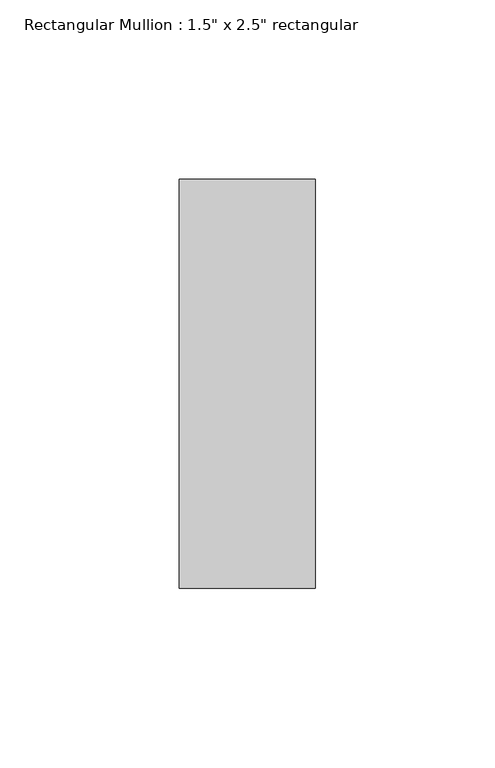
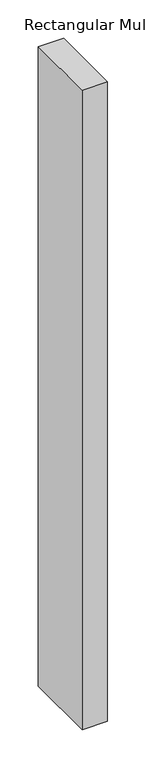
"""IFC4 building model written with IfcOpenShell, lengths in millimetres: member geometry."""

from ifc_helpers import new_model, si_unit, frame, origin, place, context, project, spatial, polyline, outline, extrude, source, transform, mapped, element, save


def member_7b4f1ef0(model_context):
    return source(origin(), model_context, "Body", "SweptSolid", [
        extrude(outline(polyline([(19.05, 57.15), (19.05, -57.15), (-19.05, -57.15), (-19.05, 57.15), (19.05, 57.15)])), frame((0.0, 0.0, -1019.175), z_axis=(0.0, 0.0, 1.0), x_axis=(1.0, 0.0, 0.0)), (0.0, 0.0, 1.0), 1019.175),
    ])


if __name__ == "__main__":
    model = new_model("IFC4")
    model_context = context("Model", 3, world=origin())
    ifc_project = project(units=[si_unit("LENGTHUNIT", "METRE", prefix="MILLI")], contexts=[model_context])
    site = spatial("IfcSite", under=ifc_project)
    building = spatial("IfcBuilding", under=site)
    placement = place(None, origin())
    member_shape = member_7b4f1ef0(model_context)
    element("IfcMember", 1, ObjectType="Rectangular Mullion : 1.5\" x 2.5\" rectangular", at=placement, inside=building, context=model_context, shape_type="MappedRepresentation", body=[
        mapped(member_shape, transform((0.0, 0.0, 0.0), x_axis=(1.0, 0.0, 0.0), y_axis=(0.0, 1.0, 0.0), z_axis=(0.0, 0.0, 1.0))),
    ])
    save(model, "model.ifc")
